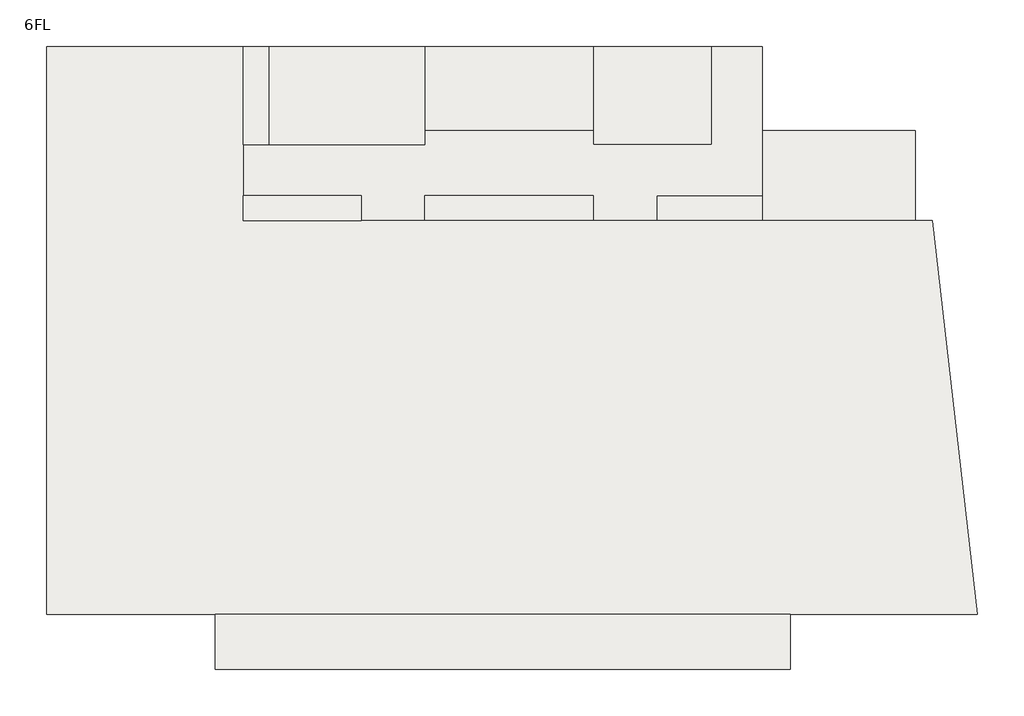
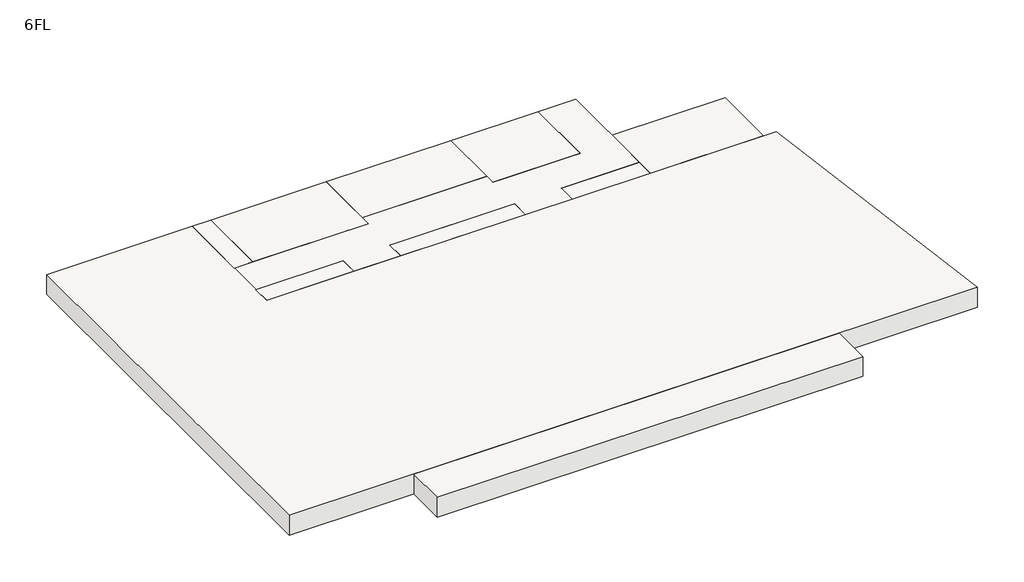
# One storey: 11 slabs.
"""IFC4 building model written with IfcOpenShell, lengths in millimetres."""

from ifc_helpers import new_model, si_unit, frame, origin, place, context, project, spatial, polyline, outline, extrude, element, save

model = new_model("IFC4")

# Units and contexts
model_context = context("Model", 3, world=origin())
ifc_project = project(units=[si_unit("LENGTHUNIT", "METRE", prefix="MILLI")], contexts=[model_context])

# Site, building, storey
site = spatial("IfcSite", under=ifc_project)
building = spatial("IfcBuilding", under=site)
storey = spatial("IfcBuildingStorey", under=building, Name="6FL", Elevation=20600.0)

# Slabs
placement = place(None, origin())
element("IfcSlab", 1, at=placement, inside=storey, context=model_context, shape_type="SweptSolid", body=[
    extrude(outline(polyline([(2054.0215975, 13649.6868987), (2054.0215975, 10449.6868987), (-3395.9784025, 10449.6868987), (-3395.9784025, 13649.6868987), (2054.0215975, 13649.6868987)])), frame((0.0, 0.0, 19600.0), z_axis=(0.0, 0.0, 1.0), x_axis=(1.0, 0.0, 0.0)), (0.0, 0.0, 1.0), 1000.0),
])
element("IfcSlab", 2, at=placement, inside=storey, context=model_context, shape_type="SweptSolid", body=[
    extrude(outline(polyline([(-3395.9784025, 11349.6868987), (-3395.9784025, 10449.6868987), (-7145.9784025, 10449.6868987), (-7145.9784025, 11349.6868987), (-3395.9784025, 11349.6868987)])), frame((0.0, 0.0, 19600.0), z_axis=(0.0, 0.0, 1.0), x_axis=(1.0, 0.0, 0.0)), (0.0, 0.0, 1.0), 1000.0),
])
element("IfcSlab", 3, at=placement, inside=storey, context=model_context, shape_type="SweptSolid", body=[
    extrude(outline(polyline([(-9395.9784025, 11349.6868987), (-9395.9784025, 10449.6868987), (-15395.9784025, 10449.6868987), (-15395.9784025, 11349.6868987), (-9395.9784025, 11349.6868987)])), frame((0.0, 0.0, 19600.0), z_axis=(0.0, 0.0, 1.0), x_axis=(1.0, 0.0, 0.0)), (0.0, 0.0, 1.0), 1000.0),
])
element("IfcSlab", 4, at=placement, inside=storey, context=model_context, shape_type="SweptSolid", body=[
    extrude(outline(polyline([(-17645.9784025, 11349.6868987), (-17645.9784025, 10449.6868987), (-21845.9784025, 10449.6868987), (-21845.9784025, 11349.6868987), (-17645.9784025, 11349.6868987)])), frame((0.0, 0.0, 19600.0), z_axis=(0.0, 0.0, 1.0), x_axis=(1.0, 0.0, 0.0)), (0.0, 0.0, 1.0), 1000.0),
])
element("IfcSlab", 5, at=placement, inside=storey, context=model_context, shape_type="SweptSolid", body=[
    extrude(outline(polyline([(-20945.9784025, 16649.6868987), (-20945.9784025, 13149.6868987), (-21845.9784025, 13149.6868987), (-21845.9784025, 16649.6868987), (-20945.9784025, 16649.6868987)])), frame((0.0, 0.0, 19600.0), z_axis=(0.0, 0.0, 1.0), x_axis=(1.0, 0.0, 0.0)), (0.0, 0.0, 1.0), 1000.0),
])
element("IfcSlab", 6, at=placement, inside=storey, context=model_context, shape_type="SweptSolid", body=[
    extrude(outline(polyline([(-9395.9784025, 16649.6868987), (-9395.9784025, 13649.6868987), (-15395.9784025, 13649.6868987), (-15395.9784025, 16649.6868987), (-9395.9784025, 16649.6868987)])), frame((0.0, 0.0, 19600.0), z_axis=(0.0, 0.0, 1.0), x_axis=(1.0, 0.0, 0.0)), (0.0, 0.0, 1.0), 1000.0),
])
element("IfcSlab", 7, at=placement, inside=storey, context=model_context, shape_type="SweptSolid", body=[
    extrude(outline(polyline([(-5195.9784025, 16649.6868987), (-5195.9784025, 13149.6868987), (-9395.9784025, 13149.6868987), (-9395.9784025, 16649.6868987), (-5195.9784025, 16649.6868987)])), frame((0.0, 0.0, 19600.0), z_axis=(0.0, 0.0, 1.0), x_axis=(1.0, 0.0, 0.0)), (0.0, 0.0, 1.0), 1000.0),
])
element("IfcSlab", 8, at=placement, inside=storey, context=model_context, shape_type="SweptSolid", body=[
    extrude(outline(polyline([(-15395.9784025, 16649.6868987), (-15395.9784025, 13149.6868987), (-20945.9784025, 13149.6868987), (-20945.9784025, 16649.6868987), (-15395.9784025, 16649.6868987)])), frame((0.0, 0.0, 19600.0), z_axis=(0.0, 0.0, 1.0), x_axis=(1.0, 0.0, 0.0)), (0.0, 0.0, 1.0), 1000.0),
])
element("IfcSlab", 9, at=placement, inside=storey, context=model_context, shape_type="SweptSolid", body=[
    extrude(outline(polyline([(-28845.9784025, -3550.3131013), (-28845.9784025, 16649.6868987), (-21845.9784025, 16649.6868987), (-21845.9784025, 10449.6868987), (2661.9595949, 10449.6868987), (4261.9595949, -3550.3131013), (-28845.9784025, -3550.3131013)])), frame((0.0, 0.0, 19600.0), z_axis=(0.0, 0.0, 1.0), x_axis=(1.0, 0.0, 0.0)), (0.0, 0.0, 1.0), 1000.0),
])
element("IfcSlab", 10, at=placement, inside=storey, context=model_context, shape_type="SweptSolid", body=[
    extrude(outline(polyline([(-15395.9784025, 13149.6868987), (-15395.9784025, 13649.6868987), (-9395.9784025, 13649.6868987), (-9395.9784025, 13149.6868987), (-5195.9784025, 13149.6868987), (-5195.9784025, 16649.6868987), (-3395.9784025, 16649.6868987), (-3395.9784025, 11349.6868987), (-7145.9784025, 11349.6868987), (-7145.9784025, 10449.6868987), (-9395.9784025, 10449.6868987), (-9395.9784025, 11349.6868987), (-15395.9784025, 11349.6868987), (-15395.9784025, 10449.6868987), (-17645.9784025, 10449.6868987), (-17645.9784025, 11349.6868987), (-21845.9784025, 11349.6868987), (-21845.9784025, 13149.6868987), (-15395.9784025, 13149.6868987)])), frame((0.0, 0.0, 19600.0), z_axis=(0.0, 0.0, 1.0), x_axis=(1.0, 0.0, 0.0)), (0.0, 0.0, 1.0), 1000.0),
])
element("IfcSlab", 11, at=placement, inside=storey, context=model_context, shape_type="SweptSolid", body=[
    extrude(outline(polyline([(-22845.9784025, -3550.3131013), (-2395.9784025, -3550.3131013), (-2395.9784025, -5510.1244391), (-22845.9784025, -5510.1244391), (-22845.9784025, -3550.3131013)])), frame((0.0, 0.0, 19600.0), z_axis=(0.0, 0.0, 1.0), x_axis=(1.0, 0.0, 0.0)), (0.0, 0.0, 1.0), 1000.0),
])

save(model, "model.ifc")
